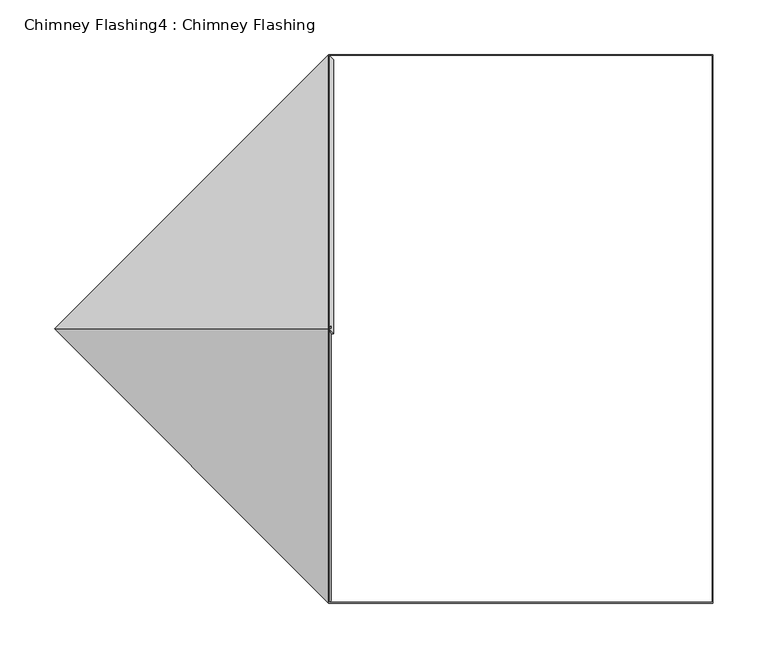
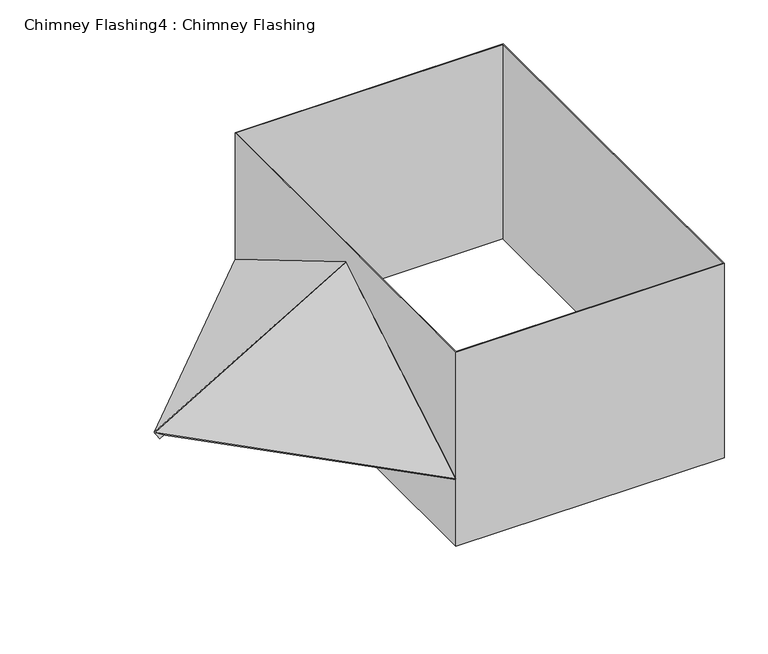
"""IFC4 building model written with IfcOpenShell, lengths in millimetres: proxy geometry, Chimney Flashing4 : Chimney Flashing."""

from ifc_helpers import new_model, si_unit, frame, origin, place, context, project, spatial, polyline, outline, extrude, source, transform, mapped, element, save


def chimney_flashing4_chimney_flashing_3531271f(model_context):
    return source(origin(), model_context, "Body", "SweptSolid", [
        extrude(outline(polyline([(0.0, 0.0), (-177.4838021, -231.688649), (-354.9676042, 0.0), (0.0, 0.0)])), frame((37298.4014866, -13498.1969931, 3591.399561), z_axis=(-0.4545194776720404, 0.454519477672045, 0.7660444431189792), x_axis=(0.7071067811865508, 0.7071067811865442, 0.0)), (0.0, 0.0, 1.0), 10.0),
        extrude(outline(polyline([(0.0, 0.0), (-177.4838021, -231.688649), (-354.9676042, 0.0), (0.0, 0.0)])), frame((37045.1288892, -13742.3792009, 3595.2297832), z_axis=(-0.4545194776720441, -0.4545194776720417, 0.7660444431189788), x_axis=(-0.707106781186546, 0.707106781186549, 0.0)), (0.0, 0.0, 1.0), 5.0),
        extrude(outline(polyline([(37293.8562918, -13493.6517983), (37645.8562918, -13493.6517983), (37645.8562918, -13995.6517983), (37293.8562918, -13995.6517983), (37293.8562918, -13493.6517983)]), holes=[polyline([(37294.8562918, -13994.6517983), (37644.8562918, -13994.6517983), (37644.8562918, -13494.6517983), (37294.8562918, -13494.6517983), (37294.8562918, -13994.6517983)])]), frame((0.0, 0.0, 3505.1646635), z_axis=(0.0, 0.0, 1.0), x_axis=(1.0, 0.0, 0.0)), (0.0, 0.0, 1.0), 269.6718079),
    ])


if __name__ == "__main__":
    model = new_model("IFC4")
    model_context = context("Model", 3, world=origin())
    ifc_project = project(units=[si_unit("LENGTHUNIT", "METRE", prefix="MILLI")], contexts=[model_context])
    site = spatial("IfcSite", under=ifc_project)
    building = spatial("IfcBuilding", under=site)
    placement = place(None, origin())
    chimney_flashing4_chimney_flashing_shape = chimney_flashing4_chimney_flashing_3531271f(model_context)
    element("IfcBuildingElementProxy", 1, Name="Chimney Flashing4 : Chimney Flashing", ObjectType="Chimney Flashing4 : Chimney Flashing", at=placement, inside=building, context=model_context, shape_type="MappedRepresentation", body=[
        mapped(chimney_flashing4_chimney_flashing_shape, transform((0.0, 0.0, 0.0), x_axis=(1.0, 0.0, 0.0), y_axis=(0.0, 1.0, 0.0), z_axis=(0.0, 0.0, 1.0))),
    ])
    save(model, "model.ifc")
